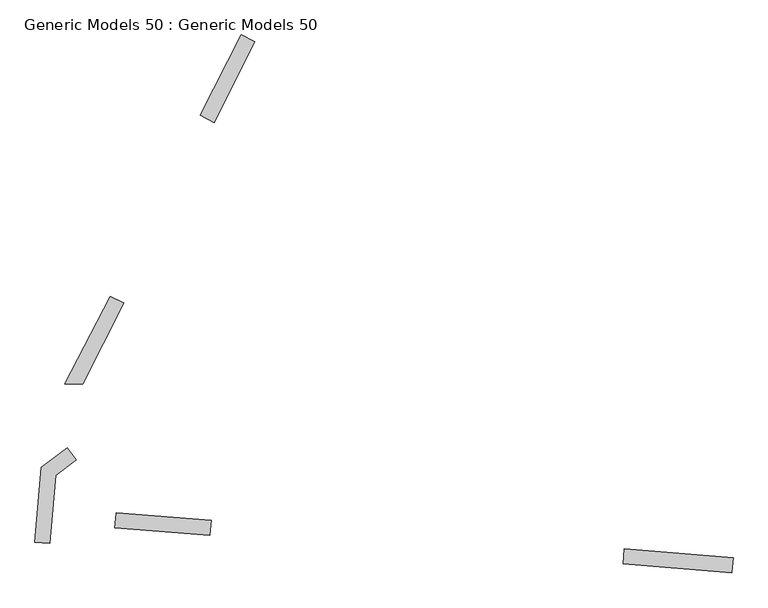
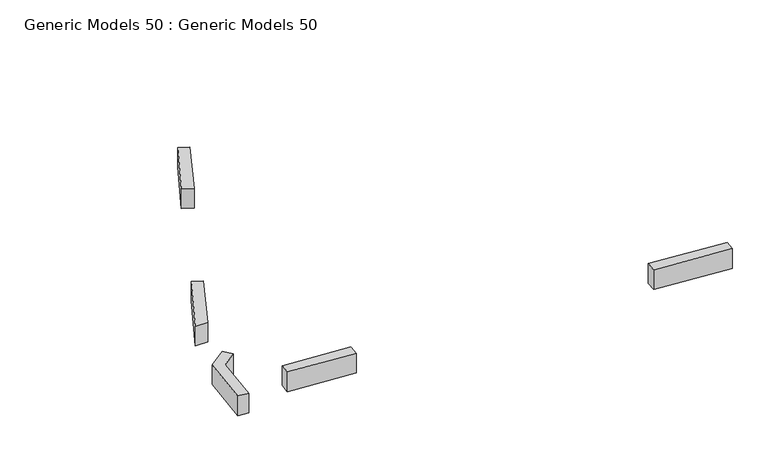
"""IFC4 building model written with IfcOpenShell, lengths in millimetres: proxy geometry, Generic Models 50 : Generic Models 50."""

from ifc_helpers import new_model, si_unit, frame, origin, place, context, project, spatial, polyline, outline, extrude, source, transform, mapped, element, save


def generic_models_50_generic_models_50_2cb7b992(model_context):
    return source(origin(), model_context, "Body", "SweptSolid", [
        extrude(outline(polyline([(-304378.055704, 31506.6509078), (-303931.2007878, 31282.3281852), (-305277.0796182, 28601.3132388), (-305746.4895534, 28842.4168468), (-304378.055704, 31506.6509078)])), frame((0.0, 0.0, 680.0), z_axis=(0.0, 0.0, 1.0), x_axis=(1.0, 0.0, 0.0)), (0.0, 0.0, 1.0), 1000.0),
        extrude(outline(polyline([(-308726.6027045, 22844.266717), (-308279.7477883, 22619.9439945), (-309625.6266188, 19938.929048), (-310218.8748996, 19938.929048), (-308726.6027045, 22844.266717)])), frame((0.0, 0.0, 680.0), z_axis=(0.0, 0.0, 1.0), x_axis=(1.0, 0.0, 0.0)), (0.0, 0.0, 1.0), 1000.0),
        extrude(outline(polyline([(-311008.8432657, 17183.5364967), (-310147.6531198, 17824.5457438), (-309849.1107015, 17423.4566957), (-310528.9728602, 16917.4152221), (-310714.6718901, 14651.0548676), (-311213.0018716, 14691.8865888), (-311008.8432657, 17183.5364967)])), frame((0.0, 0.0, 680.0), z_axis=(0.0, 0.0, 1.0), x_axis=(1.0, 0.0, 0.0)), (0.0, 0.0, 1.0), 1000.0),
        extrude(outline(polyline([(-308526.6687561, 15676.2906304), (-305380.1098814, 15418.4706728), (-305420.9416026, 14920.1406913), (-308562.1275138, 15177.5204037), (-308526.6687561, 15676.2906304)])), frame((0.0, 0.0, 680.0), z_axis=(0.0, 0.0, 1.0), x_axis=(1.0, 0.0, 0.0)), (0.0, 0.0, 1.0), 1000.0),
        extrude(outline(polyline([(-291696.0819352, 14476.6884549), (-288096.6135053, 14181.7583949), (-288137.4452265, 13683.4284133), (-291731.5406929, 13977.9182282), (-291696.0819352, 14476.6884549)])), frame((0.0, 0.0, 680.0), z_axis=(0.0, 0.0, 1.0), x_axis=(1.0, 0.0, 0.0)), (0.0, 0.0, 1.0), 1000.0),
    ])


if __name__ == "__main__":
    model = new_model("IFC4")
    model_context = context("Model", 3, world=origin())
    ifc_project = project(units=[si_unit("LENGTHUNIT", "METRE", prefix="MILLI")], contexts=[model_context])
    site = spatial("IfcSite", under=ifc_project)
    building = spatial("IfcBuilding", under=site)
    placement = place(None, origin())
    generic_models_50_generic_models_50_shape = generic_models_50_generic_models_50_2cb7b992(model_context)
    element("IfcBuildingElementProxy", 1, Name="Generic Models 50 : Generic Models 50", ObjectType="Generic Models 50 : Generic Models 50", at=placement, inside=building, context=model_context, shape_type="MappedRepresentation", body=[
        mapped(generic_models_50_generic_models_50_shape, transform((0.0, 0.0, 0.0), x_axis=(1.0, 0.0, 0.0), y_axis=(0.0, 1.0, 0.0), z_axis=(0.0, 0.0, 1.0))),
    ])
    save(model, "model.ifc")
